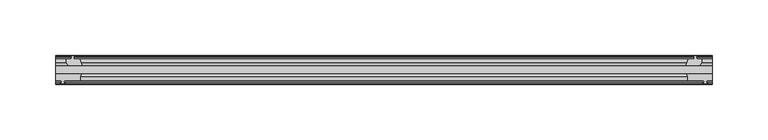
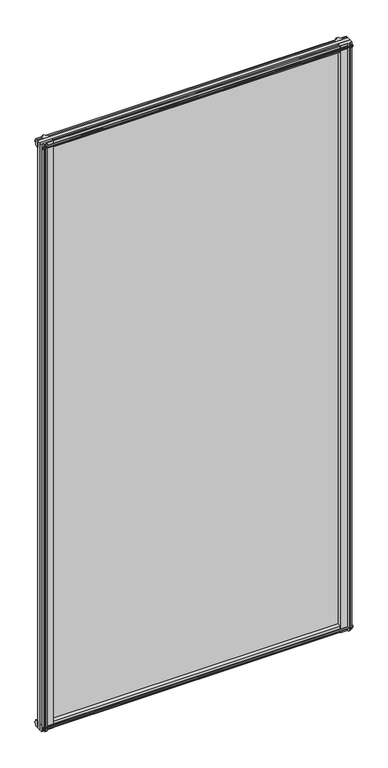
"""IFC4 building model written with IfcOpenShell, lengths in millimetres: plate geometry."""

import ifcopenshell
import ifcopenshell.guid

model = None  # the IFC model being written
_history = None  # IfcOwnerHistory: only IFC2X3 demands one
_inside = {}  # id of a spatial element -> (the spatial element, [elements in it])
_under = {}  # id of a project, library or spatial element -> (it, [spatial elements below it])
_declared = {}  # id of a project -> (the project, [libraries it declares])
_typed = {}  # id of a type object -> (the type object, [elements of that type])
_made_of = {}  # id of a material, layer set ... -> (it, [elements and type objects made of it])


def new_model(schema):
    """Start an empty IFC model of exactly this schema.

    Asked for "IFC4X3", IfcOpenShell would pick the latest addendum, in which some entities
    have other attributes; the version numbers below select the first issue.
    IFC2X3 requires an IfcOwnerHistory on every rooted entity: one is made here for all.
    """
    global model, _history
    if schema == "IFC4X3":
        model = ifcopenshell.file(schema_version=(4, 3, 0, 0))
    else:
        model = ifcopenshell.file(schema=schema)
    _inside.clear()
    _under.clear()
    _declared.clear()
    _typed.clear()
    _made_of.clear()
    _history = None
    if model.schema == "IFC2X3":
        org = make("IfcOrganization", Name="unknown")
        user = make(
            "IfcPersonAndOrganization",
            ThePerson=make("IfcPerson", FamilyName="unknown"),
            TheOrganization=org,
        )
        app = make(
            "IfcApplication",
            ApplicationDeveloper=org,
            Version="unknown",
            ApplicationFullName="unknown",
            ApplicationIdentifier="unknown",
        )
        _history = make(
            "IfcOwnerHistory",
            OwningUser=user,
            OwningApplication=app,
            ChangeAction="ADDED",
            CreationDate=0,
        )
    return model


def make(cls, **values):
    """One entity of the class cls with the attributes given. An attribute that is None is left unset."""
    return model.create_entity(
        cls, **{name: value for name, value in values.items() if value is not None}
    )


def rooted(cls, **values):
    """An entity with a GlobalId (a new one), such as an element, a storey or a relation."""
    return make(cls, GlobalId=ifcopenshell.guid.new(), OwnerHistory=_history, **values)


def si_unit(unit_type, name, prefix=None):
    """IfcSIUnit, for example si_unit("LENGTHUNIT", "METRE", prefix="MILLI")."""
    return make("IfcSIUnit", UnitType=unit_type, Prefix=prefix, Name=name)


def assignment(units):
    """IfcUnitAssignment: the units of a project."""
    return None if units is None else make("IfcUnitAssignment", Units=units)


def point(xyz):
    """IfcCartesianPoint."""
    return None if xyz is None else make("IfcCartesianPoint", Coordinates=xyz)


def direction(xyz):
    """IfcDirection."""
    return None if xyz is None else make("IfcDirection", DirectionRatios=xyz)


def frame(location, z_axis=None, x_axis=None):
    """IfcAxis2Placement3D, a coordinate frame: its origin and axes. An axis left out is left unset."""
    return make(
        "IfcAxis2Placement3D",
        Location=point(location),
        Axis=direction(z_axis),
        RefDirection=direction(x_axis),
    )


def frame_2d(location, x_axis=None):
    """IfcAxis2Placement2D, a coordinate frame in the plane: its origin and x axis."""
    return make(
        "IfcAxis2Placement2D", Location=point(location), RefDirection=direction(x_axis)
    )


def origin():
    """The frame at (0, 0, 0) with its axes left unset."""
    return frame((0.0, 0.0, 0.0))


def place(relative_to, where):
    """IfcLocalPlacement: puts the frame where relative to a parent placement (None: the world)."""
    return make(
        "IfcLocalPlacement", PlacementRelTo=relative_to, RelativePlacement=where
    )


def context(
    kind, dimensions, precision=None, world=None, true_north=None, identifier=None
):
    """IfcGeometricRepresentationContext, for example the 3D "Model" context."""
    return make(
        "IfcGeometricRepresentationContext",
        ContextIdentifier=identifier,
        ContextType=kind,
        CoordinateSpaceDimension=dimensions,
        Precision=precision,
        WorldCoordinateSystem=world,
        TrueNorth=true_north,
    )


def project(units=None, contexts=None):
    """IfcProject with its units and contexts."""
    return rooted(
        "IfcProject",
        Name="project",
        RepresentationContexts=contexts,
        UnitsInContext=assignment(units),
    )


def spatial(cls, under=None, at=None, **own):
    """A site, building, storey or space (cls), placed at a placement, below another one or the project."""
    s = rooted(cls, ObjectPlacement=at, **own)
    if under is not None:
        _under.setdefault(under.id(), (under, []))[1].append(s)
    return s


def polyline(points):
    """IfcPolyline through the points."""
    return make("IfcPolyline", Points=[point(p) for p in points])


def circle_curve(where, radius):
    """IfcCircle in the frame where."""
    return make("IfcCircle", Position=where, Radius=radius)


def trimmed(basis, trim1, trim2, sense, master):
    """IfcTrimmedCurve: the piece of a basis curve between two trims."""
    return make(
        "IfcTrimmedCurve",
        BasisCurve=basis,
        Trim1=trim1,
        Trim2=trim2,
        SenseAgreement=sense,
        MasterRepresentation=master,
    )


def segment(curve, same_sense, transition):
    """IfcCompositeCurveSegment."""
    return make(
        "IfcCompositeCurveSegment",
        Transition=transition,
        SameSense=same_sense,
        ParentCurve=curve,
    )


def composite_curve(segments, self_intersect=None):
    """IfcCompositeCurve: segments joined end to end."""
    return make("IfcCompositeCurve", Segments=segments, SelfIntersect=self_intersect)


def outline(outer, holes=None, kind="AREA"):
    """IfcArbitraryClosedProfileDef: a profile drawn as a closed curve; with holes, ...WithVoids."""
    if holes is None:
        return make("IfcArbitraryClosedProfileDef", ProfileType=kind, OuterCurve=outer)
    return make(
        "IfcArbitraryProfileDefWithVoids",
        ProfileType=kind,
        OuterCurve=outer,
        InnerCurves=holes,
    )


def extrude(swept, where, along, depth):
    """IfcExtrudedAreaSolid: the profile swept, set in the frame where, extruded along a direction by depth."""
    return make(
        "IfcExtrudedAreaSolid",
        SweptArea=swept,
        Position=where,
        ExtrudedDirection=direction(along),
        Depth=depth,
    )


def shape(context_of_items, identifier, shape_type, items):
    """IfcShapeRepresentation: the items that make up one representation, for example the "Body"."""
    return make(
        "IfcShapeRepresentation",
        ContextOfItems=context_of_items,
        RepresentationIdentifier=identifier,
        RepresentationType=shape_type,
        Items=items,
    )


def source(mapping_origin, context_of_items, identifier, shape_type, items):
    """IfcRepresentationMap: a shape defined once, which mapped items show again and again."""
    return make(
        "IfcRepresentationMap",
        MappingOrigin=mapping_origin,
        MappedRepresentation=shape(context_of_items, identifier, shape_type, items),
    )


def transform(
    local_origin,
    x_axis=None,
    y_axis=None,
    z_axis=None,
    scale=None,
    scale2=None,
    scale3=None,
    uniform=True,
):
    """IfcCartesianTransformationOperator3D, or its non-uniform kind. x_axis, y_axis, z_axis: its Axis1, 2, 3."""
    if uniform:
        return make(
            "IfcCartesianTransformationOperator3D",
            Axis1=direction(x_axis),
            Axis2=direction(y_axis),
            LocalOrigin=point(local_origin),
            Scale=scale,
            Axis3=direction(z_axis),
        )
    return make(
        "IfcCartesianTransformationOperator3DnonUniform",
        Axis1=direction(x_axis),
        Axis2=direction(y_axis),
        LocalOrigin=point(local_origin),
        Scale=scale,
        Axis3=direction(z_axis),
        Scale2=scale2,
        Scale3=scale3,
    )


def mapped(mapping_source, mapping_target):
    """IfcMappedItem: shows the shape of a source again, moved by a transform."""
    return make(
        "IfcMappedItem", MappingSource=mapping_source, MappingTarget=mapping_target
    )


def made_of(thing, what):
    """Note that an element or type object is made of a material, layer set ...; save() writes the relation."""
    if what is not None:
        _made_of.setdefault(what.id(), (what, []))[1].append(thing)
    return thing


def element(
    cls,
    number,
    at=None,
    inside=None,
    cuts=None,
    type_object=None,
    material=None,
    context=None,
    identifier="Body",
    shape_type=None,
    held_by="IfcProductDefinitionShape",
    body=None,
    shapes=None,
    **own,
):
    """One element of the class cls, such as IfcWall. Its Tag is "e" and its number.

    at: its placement. inside: the storey or other place that contains it. cuts: it is an
    opening in that element (IfcRelVoidsElement). A single representation is given by context,
    identifier, shape_type and body (its items); several are given by shapes. held_by: the class
    of the entity that holds the representations. save() writes the other relations.
    """
    e = rooted(cls, Tag="e%d" % number, ObjectPlacement=at, **own)
    if body is not None:
        shapes = [shape(context, identifier, shape_type, body)]
    if shapes is not None:
        e.Representation = make(held_by, Representations=shapes)
    if inside is not None:
        _inside.setdefault(inside.id(), (inside, []))[1].append(e)
    if cuts is not None:
        rooted(
            "IfcRelVoidsElement", RelatingBuildingElement=cuts, RelatedOpeningElement=e
        )
    if type_object is not None:
        _typed.setdefault(type_object.id(), (type_object, []))[1].append(e)
    return made_of(e, material)


def aggregate(whole, parts):
    """IfcRelAggregates: a whole, such as a stair, and the parts it consists of."""
    return rooted("IfcRelAggregates", RelatingObject=whole, RelatedObjects=parts)


def save(model, path):
    """Write the relations noted so far, then the file.

    IfcRelAggregates (storeys below a building ...), IfcRelContainedInSpatialStructure (elements
    in a storey), IfcRelDefinesByType, IfcRelAssociatesMaterial and IfcRelDeclares: one each for
    every whole, place, type object, material and project.
    """
    for whole, parts in _under.values():
        aggregate(whole, parts)
    for where, things in _inside.values():
        rooted(
            "IfcRelContainedInSpatialStructure",
            RelatedElements=things,
            RelatingStructure=where,
        )
    for kind, things in _typed.values():
        rooted("IfcRelDefinesByType", RelatedObjects=things, RelatingType=kind)
    for what, things in _made_of.values():
        rooted("IfcRelAssociatesMaterial", RelatedObjects=things, RelatingMaterial=what)
    for by, libraries in _declared.values():
        rooted("IfcRelDeclares", RelatingContext=by, RelatedDefinitions=libraries)
    model.write(path)


def plate_0c23e71f(model_context):
    return source(origin(), model_context, "Body", "SweptSolid", [
        extrude(outline(polyline([(-295.275, -19.5460937), (295.275, -19.5460937), (295.275, -25.8960937), (-295.275, -25.8960937), (-295.275, -19.5460937)])), frame((0.0, 0.0, -12.7), z_axis=(0.0, 0.0, 1.0), x_axis=(1.0, 0.0, 0.0)), (0.0, 0.0, 1.0), 1181.1),
        extrude(outline(composite_curve([segment(polyline([(-295.2792854, -32.2460937), (-295.2792854, -25.8960937), (-271.9572351, -25.8960937)]), True, "CONTINUOUS"), segment(trimmed(circle_curve(frame_2d((-264.168449, -30.5054843)), 9.0505066), [point((-271.9572351, -25.8960937))], [point((-273.05, -32.2460937))], True, "CARTESIAN"), True, "CONTINUOUS"), segment(polyline([(-273.05, -32.2460937), (-287.6592854, -32.2460937), (-287.9767854, -34.3506957), (-286.7581795, -34.0241712), (-286.5543854, -34.7847412), (-288.9292854, -35.4210937), (-291.3041854, -34.7847412), (-291.1003913, -34.0241712), (-289.8817854, -34.3506957), (-290.1992854, -32.2460937), (-295.2792854, -32.2460937)]), True, "CONTINUOUS")], self_intersect=False)), frame((0.0, 0.0, -12.7), z_axis=(0.0, 0.0, 1.0), x_axis=(1.0, 0.0, 0.0)), (0.0, 0.0, 1.0), 1181.1),
        extrude(outline(composite_curve([segment(polyline([(295.2792854, -32.2460938), (290.1992854, -32.2460938), (289.8817854, -34.3506957), (291.1003913, -34.0241712), (291.3041854, -34.7847412), (288.9292854, -35.4210938), (286.5543854, -34.7847412), (286.7581795, -34.0241712), (287.9767854, -34.3506957), (287.6592854, -32.2460938), (273.05, -32.2460938)]), True, "CONTINUOUS"), segment(trimmed(circle_curve(frame_2d((264.168449, -30.5054843)), 9.0505066), [point((273.05, -32.2460938))], [point((271.9572351, -25.8960937))], True, "CARTESIAN"), True, "CONTINUOUS"), segment(polyline([(271.9572351, -25.8960937), (295.2792854, -25.8960937), (295.2792854, -32.2460938)]), True, "CONTINUOUS")], self_intersect=False)), frame((0.0, 0.0, -12.7), z_axis=(0.0, 0.0, 1.0), x_axis=(1.0, 0.0, 0.0)), (0.0, 0.0, 1.0), 1181.1),
        extrude(outline(polyline([(277.7431709, -10.4746158), (279.9207, -9.7670938), (282.098229, -10.4746158), (282.098229, -11.27583), (280.6827, -10.8158968), (281.0637, -13.1960938), (285.5087, -13.1960938), (285.5087, -16.1424938), (283.2960038, -19.5460937), (271.4654229, -19.5460937), (273.5707, -13.1960938), (278.7777, -13.1960938), (279.1587, -10.8158968), (277.7431709, -11.27583), (277.7431709, -10.4746158)])), frame((0.0, 0.0, -12.7), z_axis=(0.0, 0.0, 1.0), x_axis=(1.0, 0.0, 0.0)), (0.0, 0.0, 1.0), 1181.1),
        extrude(outline(polyline([(-280.6827, -10.8158968), (-282.098229, -11.27583), (-282.098229, -10.4746158), (-279.9207, -9.7670937), (-277.7431709, -10.4746158), (-277.7431709, -11.27583), (-279.1587, -10.8158968), (-278.7777, -13.1960937), (-273.5707, -13.1960937), (-271.4654229, -19.5460937), (-283.2960038, -19.5460937), (-285.5087, -16.1424937), (-285.5087, -13.1960937), (-281.0637, -13.1960937), (-280.6827, -10.8158968)])), frame((0.0, 0.0, -12.7), z_axis=(0.0, 0.0, 1.0), x_axis=(1.0, 0.0, 0.0)), (0.0, 0.0, 1.0), 1181.1),
        extrude(outline(polyline([(-13.1960937, 1168.1587), (-13.1960937, 1163.7137), (-10.8158968, 1163.3327), (-11.27583, 1164.7482291), (-10.4746158, 1164.7482291), (-9.7670937, 1162.5707), (-10.4746158, 1160.393171), (-11.27583, 1160.393171), (-10.8158968, 1161.8087), (-13.1960937, 1161.4277), (-13.1960937, 1156.2207), (-19.5460937, 1154.115423), (-19.5460937, 1165.9460038), (-16.1424937, 1168.1587), (-13.1960937, 1168.1587)])), frame((-295.275, 0.0, 0.0), z_axis=(1.0, 0.0, 0.0), x_axis=(0.0, 1.0, 0.0)), (0.0, 0.0, 1.0), 590.55),
        extrude(outline(polyline([(-29.2996937, 1167.638), (-25.8960937, 1165.4253038), (-25.8960937, 1153.594723), (-32.2460937, 1155.7), (-32.2460937, 1160.907), (-34.6262907, 1161.288), (-34.1663575, 1159.872471), (-34.9675717, 1159.872471), (-35.6750937, 1162.05), (-34.9675717, 1164.2275291), (-34.1663575, 1164.2275291), (-34.6262907, 1162.812), (-32.2460937, 1163.193), (-32.2460937, 1167.638), (-29.2996937, 1167.638)])), frame((-295.275, 0.0, 0.0), z_axis=(1.0, 0.0, 0.0), x_axis=(0.0, 1.0, 0.0)), (0.0, 0.0, 1.0), 590.55),
        extrude(outline(polyline([(-25.8960937, 2.1052771), (-25.8960937, -9.7253038), (-29.2996937, -11.938), (-32.2460937, -11.938), (-32.2460937, -7.493), (-34.6262907, -7.112), (-34.1663575, -8.5275291), (-34.9675717, -8.5275291), (-35.6750937, -6.35), (-34.9675717, -4.1724709), (-34.1663575, -4.1724709), (-34.6262907, -5.588), (-32.2460937, -5.207), (-32.2460937, 0.0), (-25.8960937, 2.1052771)])), frame((-295.275, 0.0, 0.0), z_axis=(1.0, 0.0, 0.0), x_axis=(0.0, 1.0, 0.0)), (0.0, 0.0, 1.0), 590.55),
        extrude(outline(polyline([(-19.5460937, 1.5845771), (-13.1960937, -0.5207), (-13.1960937, -5.7277), (-10.8158968, -6.1087), (-11.27583, -4.6931709), (-10.4746158, -4.6931709), (-9.7670937, -6.8707), (-10.4746158, -9.048229), (-11.27583, -9.048229), (-10.8158968, -7.6327), (-13.1960937, -8.0137), (-13.1960937, -12.4587), (-16.1424937, -12.4587), (-19.5460937, -10.2460038), (-19.5460937, 1.5845771)])), frame((-295.275, 0.0, 0.0), z_axis=(1.0, 0.0, 0.0), x_axis=(0.0, 1.0, 0.0)), (0.0, 0.0, 1.0), 590.55),
    ])


if __name__ == "__main__":
    model = new_model("IFC4")
    model_context = context("Model", 3, world=origin())
    ifc_project = project(units=[si_unit("LENGTHUNIT", "METRE", prefix="MILLI")], contexts=[model_context])
    site = spatial("IfcSite", under=ifc_project)
    building = spatial("IfcBuilding", under=site)
    placement = place(None, origin())
    plate_shape = plate_0c23e71f(model_context)
    element("IfcPlate", 1, at=placement, inside=building, context=model_context, shape_type="MappedRepresentation", body=[
        mapped(plate_shape, transform((0.0, 0.0, 0.0), x_axis=(1.0, 0.0, 0.0), y_axis=(0.0, 1.0, 0.0), z_axis=(0.0, 0.0, 1.0))),
    ])
    save(model, "model.ifc")
